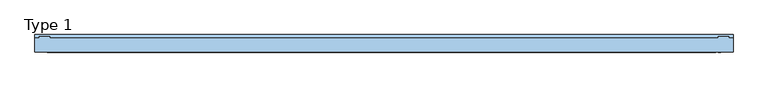
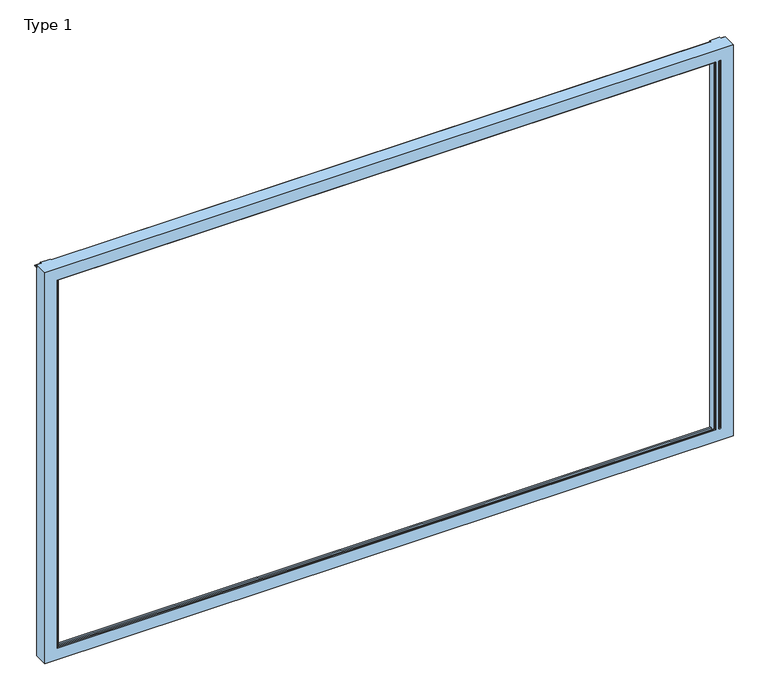
"""IFC4 building model written with IfcOpenShell, lengths in millimetres: window geometry, Type 1."""

import ifcopenshell
import ifcopenshell.guid

model = None  # the IFC model being written
_history = None  # IfcOwnerHistory: only IFC2X3 demands one
_inside = {}  # id of a spatial element -> (the spatial element, [elements in it])
_under = {}  # id of a project, library or spatial element -> (it, [spatial elements below it])
_declared = {}  # id of a project -> (the project, [libraries it declares])
_typed = {}  # id of a type object -> (the type object, [elements of that type])
_made_of = {}  # id of a material, layer set ... -> (it, [elements and type objects made of it])


def new_model(schema):
    """Start an empty IFC model of exactly this schema.

    Asked for "IFC4X3", IfcOpenShell would pick the latest addendum, in which some entities
    have other attributes; the version numbers below select the first issue.
    IFC2X3 requires an IfcOwnerHistory on every rooted entity: one is made here for all.
    """
    global model, _history
    if schema == "IFC4X3":
        model = ifcopenshell.file(schema_version=(4, 3, 0, 0))
    else:
        model = ifcopenshell.file(schema=schema)
    _inside.clear()
    _under.clear()
    _declared.clear()
    _typed.clear()
    _made_of.clear()
    _history = None
    if model.schema == "IFC2X3":
        org = make("IfcOrganization", Name="unknown")
        user = make(
            "IfcPersonAndOrganization",
            ThePerson=make("IfcPerson", FamilyName="unknown"),
            TheOrganization=org,
        )
        app = make(
            "IfcApplication",
            ApplicationDeveloper=org,
            Version="unknown",
            ApplicationFullName="unknown",
            ApplicationIdentifier="unknown",
        )
        _history = make(
            "IfcOwnerHistory",
            OwningUser=user,
            OwningApplication=app,
            ChangeAction="ADDED",
            CreationDate=0,
        )
    return model


def make(cls, **values):
    """One entity of the class cls with the attributes given. An attribute that is None is left unset."""
    return model.create_entity(
        cls, **{name: value for name, value in values.items() if value is not None}
    )


def rooted(cls, **values):
    """An entity with a GlobalId (a new one), such as an element, a storey or a relation."""
    return make(cls, GlobalId=ifcopenshell.guid.new(), OwnerHistory=_history, **values)


def si_unit(unit_type, name, prefix=None):
    """IfcSIUnit, for example si_unit("LENGTHUNIT", "METRE", prefix="MILLI")."""
    return make("IfcSIUnit", UnitType=unit_type, Prefix=prefix, Name=name)


def assignment(units):
    """IfcUnitAssignment: the units of a project."""
    return None if units is None else make("IfcUnitAssignment", Units=units)


def point(xyz):
    """IfcCartesianPoint."""
    return None if xyz is None else make("IfcCartesianPoint", Coordinates=xyz)


def direction(xyz):
    """IfcDirection."""
    return None if xyz is None else make("IfcDirection", DirectionRatios=xyz)


def frame(location, z_axis=None, x_axis=None):
    """IfcAxis2Placement3D, a coordinate frame: its origin and axes. An axis left out is left unset."""
    return make(
        "IfcAxis2Placement3D",
        Location=point(location),
        Axis=direction(z_axis),
        RefDirection=direction(x_axis),
    )


def origin():
    """The frame at (0, 0, 0) with its axes left unset."""
    return frame((0.0, 0.0, 0.0))


def place(relative_to, where):
    """IfcLocalPlacement: puts the frame where relative to a parent placement (None: the world)."""
    return make(
        "IfcLocalPlacement", PlacementRelTo=relative_to, RelativePlacement=where
    )


def context(
    kind, dimensions, precision=None, world=None, true_north=None, identifier=None
):
    """IfcGeometricRepresentationContext, for example the 3D "Model" context."""
    return make(
        "IfcGeometricRepresentationContext",
        ContextIdentifier=identifier,
        ContextType=kind,
        CoordinateSpaceDimension=dimensions,
        Precision=precision,
        WorldCoordinateSystem=world,
        TrueNorth=true_north,
    )


def project(units=None, contexts=None):
    """IfcProject with its units and contexts."""
    return rooted(
        "IfcProject",
        Name="project",
        RepresentationContexts=contexts,
        UnitsInContext=assignment(units),
    )


def spatial(cls, under=None, at=None, **own):
    """A site, building, storey or space (cls), placed at a placement, below another one or the project."""
    s = rooted(cls, ObjectPlacement=at, **own)
    if under is not None:
        _under.setdefault(under.id(), (under, []))[1].append(s)
    return s


def polyline(points):
    """IfcPolyline through the points."""
    return make("IfcPolyline", Points=[point(p) for p in points])


def circle_curve(where, radius):
    """IfcCircle in the frame where."""
    return make("IfcCircle", Position=where, Radius=radius)


def ellipse_curve(where, semi_axis1, semi_axis2):
    """IfcEllipse in the frame where."""
    return make(
        "IfcEllipse", Position=where, SemiAxis1=semi_axis1, SemiAxis2=semi_axis2
    )


def outline(outer, holes=None, kind="AREA"):
    """IfcArbitraryClosedProfileDef: a profile drawn as a closed curve; with holes, ...WithVoids."""
    if holes is None:
        return make("IfcArbitraryClosedProfileDef", ProfileType=kind, OuterCurve=outer)
    return make(
        "IfcArbitraryProfileDefWithVoids",
        ProfileType=kind,
        OuterCurve=outer,
        InnerCurves=holes,
    )


def extrude(swept, where, along, depth):
    """IfcExtrudedAreaSolid: the profile swept, set in the frame where, extruded along a direction by depth."""
    return make(
        "IfcExtrudedAreaSolid",
        SweptArea=swept,
        Position=where,
        ExtrudedDirection=direction(along),
        Depth=depth,
    )


def shape(context_of_items, identifier, shape_type, items):
    """IfcShapeRepresentation: the items that make up one representation, for example the "Body"."""
    return make(
        "IfcShapeRepresentation",
        ContextOfItems=context_of_items,
        RepresentationIdentifier=identifier,
        RepresentationType=shape_type,
        Items=items,
    )


def source(mapping_origin, context_of_items, identifier, shape_type, items):
    """IfcRepresentationMap: a shape defined once, which mapped items show again and again."""
    return make(
        "IfcRepresentationMap",
        MappingOrigin=mapping_origin,
        MappedRepresentation=shape(context_of_items, identifier, shape_type, items),
    )


def transform(
    local_origin,
    x_axis=None,
    y_axis=None,
    z_axis=None,
    scale=None,
    scale2=None,
    scale3=None,
    uniform=True,
):
    """IfcCartesianTransformationOperator3D, or its non-uniform kind. x_axis, y_axis, z_axis: its Axis1, 2, 3."""
    if uniform:
        return make(
            "IfcCartesianTransformationOperator3D",
            Axis1=direction(x_axis),
            Axis2=direction(y_axis),
            LocalOrigin=point(local_origin),
            Scale=scale,
            Axis3=direction(z_axis),
        )
    return make(
        "IfcCartesianTransformationOperator3DnonUniform",
        Axis1=direction(x_axis),
        Axis2=direction(y_axis),
        LocalOrigin=point(local_origin),
        Scale=scale,
        Axis3=direction(z_axis),
        Scale2=scale2,
        Scale3=scale3,
    )


def mapped(mapping_source, mapping_target):
    """IfcMappedItem: shows the shape of a source again, moved by a transform."""
    return make(
        "IfcMappedItem", MappingSource=mapping_source, MappingTarget=mapping_target
    )


def made_of(thing, what):
    """Note that an element or type object is made of a material, layer set ...; save() writes the relation."""
    if what is not None:
        _made_of.setdefault(what.id(), (what, []))[1].append(thing)
    return thing


def element(
    cls,
    number,
    at=None,
    inside=None,
    cuts=None,
    type_object=None,
    material=None,
    context=None,
    identifier="Body",
    shape_type=None,
    held_by="IfcProductDefinitionShape",
    body=None,
    shapes=None,
    **own,
):
    """One element of the class cls, such as IfcWall. Its Tag is "e" and its number.

    at: its placement. inside: the storey or other place that contains it. cuts: it is an
    opening in that element (IfcRelVoidsElement). A single representation is given by context,
    identifier, shape_type and body (its items); several are given by shapes. held_by: the class
    of the entity that holds the representations. save() writes the other relations.
    """
    e = rooted(cls, Tag="e%d" % number, ObjectPlacement=at, **own)
    if body is not None:
        shapes = [shape(context, identifier, shape_type, body)]
    if shapes is not None:
        e.Representation = make(held_by, Representations=shapes)
    if inside is not None:
        _inside.setdefault(inside.id(), (inside, []))[1].append(e)
    if cuts is not None:
        rooted(
            "IfcRelVoidsElement", RelatingBuildingElement=cuts, RelatedOpeningElement=e
        )
    if type_object is not None:
        _typed.setdefault(type_object.id(), (type_object, []))[1].append(e)
    return made_of(e, material)


def aggregate(whole, parts):
    """IfcRelAggregates: a whole, such as a stair, and the parts it consists of."""
    return rooted("IfcRelAggregates", RelatingObject=whole, RelatedObjects=parts)


def save(model, path):
    """Write the relations noted so far, then the file.

    IfcRelAggregates (storeys below a building ...), IfcRelContainedInSpatialStructure (elements
    in a storey), IfcRelDefinesByType, IfcRelAssociatesMaterial and IfcRelDeclares: one each for
    every whole, place, type object, material and project.
    """
    for whole, parts in _under.values():
        aggregate(whole, parts)
    for where, things in _inside.values():
        rooted(
            "IfcRelContainedInSpatialStructure",
            RelatedElements=things,
            RelatingStructure=where,
        )
    for kind, things in _typed.values():
        rooted("IfcRelDefinesByType", RelatedObjects=things, RelatingType=kind)
    for what, things in _made_of.values():
        rooted("IfcRelAssociatesMaterial", RelatedObjects=things, RelatingMaterial=what)
    for by, libraries in _declared.values():
        rooted("IfcRelDeclares", RelatingContext=by, RelatedDefinitions=libraries)
    model.write(path)


def plane_surface(at):
    """IfcPlane: the flat surface through the origin of the frame at, square to its z axis."""
    return make("IfcPlane", Position=at)


def cylinder_surface(at, radius):
    """IfcCylindricalSurface: all points at the distance radius from the z axis of the frame at."""
    return make("IfcCylindricalSurface", Position=at, Radius=radius)


def advanced_brep(points, edges, surfaces, faces):
    """IfcAdvancedBrep: a solid bounded by faces that lie on surfaces and meet in shared edges.

    An edge is (start, end): straight between two places in points (the first is 0);
    or (start, end, curve); or (start, end, curve, False) where it runs against its curve.
    A face is (place in surfaces, loops), or (place, loops, False) where it looks against
    its surface's normal. A loop lists edges by number (the first is 1), with a minus sign
    where the edge is run from its end to its start. The first loop is the outer one.
    """
    corners = [point(p) for p in points]
    vertices = [make("IfcVertexPoint", VertexGeometry=c) for c in corners]
    made = []
    for start, end, *more in edges:
        made.append(
            make(
                "IfcEdgeCurve",
                EdgeStart=vertices[start],
                EdgeEnd=vertices[end],
                EdgeGeometry=more[0] if more else make("IfcPolyline", Points=[corners[start], corners[end]]),
                SameSense=more[1] if len(more) > 1 else True,
            )
        )
    hull = []
    for where, loops, *sense in faces:
        bounds = []
        for j, loop in enumerate(loops):
            ring = [make("IfcOrientedEdge", EdgeElement=made[abs(k) - 1], Orientation=k > 0) for k in loop]
            bounds.append(
                make(
                    "IfcFaceOuterBound" if j == 0 else "IfcFaceBound",
                    Bound=make("IfcEdgeLoop", EdgeList=ring),
                    Orientation=True,
                )
            )
        hull.append(make("IfcAdvancedFace", Bounds=bounds, FaceSurface=surfaces[where], SameSense=sense[0] if sense else True))
    return make("IfcAdvancedBrep", Outer=make("IfcClosedShell", CfsFaces=hull))


def type_1_1b71fc07(model_context):
    return source(origin(), model_context, "Body", "SolidModel", [
        advanced_brep(
        [(1919.5, -69.9999847, 70.5), (1917.0, -67.4999847, 73.0), (1909.0, -67.4999847, 73.0), (1906.5, -69.9999847, 70.5), (-1917.0, -67.4999847, 73.0), (-1919.5, -69.9999847, 70.5), (1890.5, -69.9999847, 70.5), (1888.0, -67.4999847, 73.0), (1919.5, -69.9999847, 2319.5), (1917.0, -67.4999847, 2317.0), (1990.0, -69.9999847, 0.0), (1990.0, -69.9999847, 2390.0), (-1990.0, -69.9999847, 2390.0), (-1990.0, -69.9999847, 0.0), (1906.5, -69.9999847, 2319.5), (-1919.5, -69.9999847, 2319.5), (1890.5, -69.9999847, 2319.5), (1917.0, -60.0, 2317.0), (1917.0, -60.0, 73.0), (1909.0, -60.0, 2317.0), (1909.0, -60.0, 73.0), (-1917.0, -60.0, 73.0), (1888.0, -60.0, 73.0), (-1905.9999505, -60.0, 73.0), (1990.0, 10.0, 0.0), (-1990.0, 10.0, 0.0), (-1965.0, 10.0, 0.0), (-1965.0, 17.5, 0.0), (-1962.5, 20.0, 0.0), (-1905.9999505, 20.0, 0.0), (-1905.9999505, 10.0, 0.0), (1906.0, 10.0, 0.0), (1906.0, 20.0, 0.0), (1962.5, 20.0, 0.0), (1965.0, 17.5, 0.0), (1965.0, 10.0, 0.0), (1990.0, 10.0, 2390.0), (-1905.9999505, 10.0, 35.6000076), (1906.0, 10.0, 35.6000076), (-1905.9999505, 10.0, 2354.3999924), (-1905.9999505, 10.0, 2390.0), (1906.0, 10.0, 2390.0), (1906.0, 10.0, 2354.3999924), (-1990.0, 10.0, 2390.0), (-1965.0, 10.0, 2390.0), (1965.0, 10.0, 2390.0), (-1917.0, -67.4999847, 2317.0), (-1917.0, -60.0, 2317.0), (-1905.9999505, -60.0, 2317.0), (1909.0, -67.4999847, 2317.0), (1888.0, -67.4999847, 2317.0), (1888.0, -60.0, 2317.0), (-1905.9999505, -60.0, 2359.5), (1906.0, -60.0, 2359.5), (1906.0, -60.0, 30.5), (-1905.9999505, -60.0, 30.5), (1906.0, 20.0, 2390.0), (1906.0, 0.2, 35.6000076), (1906.0, 0.2, 24.0002136), (1906.0, -22.3, 24.0002136), (1906.0, -22.3, 35.6000076), (1906.0, -31.8999756, 35.6000076), (1906.0, -31.8999756, 30.5), (1906.0, -31.8999756, 2359.5), (1906.0, -31.8999756, 2354.3999924), (1906.0, -22.3, 2354.3999924), (1906.0, -22.3, 2365.9997864), (1906.0, 0.2, 2365.9997864), (1906.0, 0.2, 2354.3999924), (-1905.9999505, -31.8999756, 30.5), (-1905.9999505, 20.0, 2390.0), (-1905.9999505, 0.2, 2354.3999924), (-1905.9999505, 0.2, 2365.9997864), (-1905.9999505, -22.3, 2365.9997864), (-1905.9999505, -22.3, 2354.3999924), (-1905.9999505, -31.8999756, 2354.3999924), (-1905.9999505, -31.8999756, 2359.5), (-1905.9999505, -31.8999756, 35.6000076), (-1905.9999505, -22.3, 35.6000076), (-1905.9999505, -22.3, 24.0002136), (-1905.9999505, 0.2, 24.0002136), (-1905.9999505, 0.2, 35.6000076), (-1965.0, 17.5, 2390.0), (1965.0, 17.5, 2390.0), (-1962.5, 20.0, 2390.0), (1962.5, 20.0, 2390.0)],
        [
            (0, 1, ellipse_curve(frame((1919.5, -67.4999847, 70.5), z_axis=(-0.7071067811865498, 0.0, -0.7071067811865451), x_axis=(-0.7071067811865452, 0.0, 0.7071067811865497)), 3.5355339, 2.5)),
            (1, 2),
            (2, 3, ellipse_curve(frame((1906.5, -67.4999847, 70.5), z_axis=(0.7071067811865464, 0.0, -0.7071067811865486), x_axis=(-0.7071067811865487, 0.0, -0.7071067811865464)), 3.5355339, 2.5)),
            (3, 0),
            (4, 5, ellipse_curve(frame((-1919.5, -67.4999847, 70.5), z_axis=(0.7071067811865451, 0.0, -0.7071067811865498), x_axis=(-0.70710678118655, 0.0, -0.7071067811865451)), 3.5355339, 2.5)),
            (5, 6),
            (6, 7, ellipse_curve(frame((1890.5, -67.4999847, 70.5), z_axis=(-0.7071067811865486, 0.0, -0.7071067811865464), x_axis=(-0.7071067811865466, 0.0, 0.7071067811865485)), 3.5355339, 2.5)),
            (7, 4),
            (0, 8),
            (8, 9, ellipse_curve(frame((1919.5, -67.4999847, 2319.5), z_axis=(0.7071067811865451, 0.0, -0.7071067811865498), x_axis=(-0.7071067811865497, 0.0, -0.7071067811865452)), 3.5355339, 2.5)),
            (9, 1),
            (10, 11),
            (11, 12),
            (12, 13),
            (13, 10),
            (3, 14),
            (14, 8),
            (15, 16),
            (16, 6),
            (5, 15),
            (9, 17),
            (17, 18),
            (18, 1),
            (19, 20),
            (20, 18),
            (17, 19),
            (20, 2),
            (21, 4),
            (7, 22),
            (22, 23),
            (23, 21),
            (24, 10),
            (13, 25),
            (25, 26),
            (26, 27),
            (27, 28, circle_curve(frame((-1962.5, 17.5, 0.0), z_axis=(0.0, 0.0, -1.0), x_axis=(0.0, -1.0, 0.0)), 2.5)),
            (28, 29),
            (29, 30),
            (30, 31),
            (31, 32),
            (32, 33),
            (33, 34, circle_curve(frame((1962.5, 17.5, 0.0), z_axis=(0.0, 0.0, -1.0), x_axis=(0.0, -1.0, 0.0)), 2.5)),
            (34, 35),
            (35, 24),
            (24, 36),
            (36, 11),
            (30, 37),
            (37, 38),
            (38, 31),
            (39, 40),
            (40, 41),
            (41, 42),
            (42, 39),
            (25, 43),
            (43, 44),
            (44, 26),
            (45, 36),
            (35, 45),
            (46, 15, ellipse_curve(frame((-1919.5, -67.4999847, 2319.5), z_axis=(-0.7071067811865498, 0.0, -0.7071067811865451), x_axis=(-0.7071067811865451, 0.0, 0.70710678118655)), 3.5355339, 2.5)),
            (4, 46),
            (47, 46),
            (21, 47),
            (23, 48),
            (48, 47),
            (12, 43),
            (2, 49),
            (49, 14, ellipse_curve(frame((1906.5, -67.4999847, 2319.5), z_axis=(-0.7071067811865486, 0.0, -0.7071067811865464), x_axis=(-0.7071067811865462, 0.0, 0.7071067811865487)), 3.5355339, 2.5)),
            (16, 50, ellipse_curve(frame((1890.5, -67.4999847, 2319.5), z_axis=(0.7071067811865464, 0.0, -0.7071067811865486), x_axis=(0.7071067811865485, 0.0, 0.7071067811865466)), 3.5355339, 2.5)),
            (50, 7),
            (19, 49),
            (50, 51),
            (51, 22),
            (48, 52),
            (52, 53),
            (53, 54),
            (54, 55),
            (55, 23),
            (51, 48),
            (56, 32),
            (38, 57),
            (57, 58),
            (58, 59),
            (59, 60),
            (60, 61),
            (61, 62),
            (62, 54),
            (53, 63),
            (63, 64),
            (64, 65),
            (65, 66),
            (66, 67),
            (67, 68),
            (68, 42),
            (41, 56),
            (69, 55),
            (62, 69),
            (29, 70),
            (70, 40),
            (39, 71),
            (71, 72),
            (72, 73),
            (73, 74),
            (74, 75),
            (75, 76),
            (76, 52),
            (69, 77),
            (77, 78),
            (78, 79),
            (79, 80),
            (80, 81),
            (81, 37),
            (61, 77),
            (75, 64),
            (63, 76),
            (60, 78),
            (59, 79),
            (73, 66),
            (65, 74),
            (58, 80),
            (57, 81),
            (71, 68),
            (67, 72),
            (44, 82),
            (82, 27),
            (83, 45),
            (34, 83),
            (82, 84, circle_curve(frame((-1962.5, 17.5, 2390.0), z_axis=(0.0, 0.0, -1.0), x_axis=(0.0, -1.0, 0.0)), 2.5)),
            (84, 28),
            (84, 70),
            (56, 85),
            (85, 33),
            (85, 83, circle_curve(frame((1962.5, 17.5, 2390.0), z_axis=(0.0, 0.0, -1.0), x_axis=(0.0, -1.0, 0.0)), 2.5)),
            (49, 9),
            (46, 50),
        ],
        [
            cylinder_surface(frame((-1990.0, -67.4999847, 70.5), z_axis=(-1.0, 0.0, 0.0), x_axis=(0.0, 0.0, 1.0)), 2.5),
            cylinder_surface(frame((1919.5, -67.4999847, 0.0), z_axis=(0.0, 0.0, -1.0), x_axis=(-1.0, 0.0, 0.0)), 2.5),
            plane_surface(frame((-1990.0, -69.9999847, 0.0), z_axis=(0.0, -1.0, 0.0), x_axis=(1.0, 0.0, 0.0))),
            plane_surface(frame((1917.0, -67.4999847, 73.0), z_axis=(-1.0, 0.0, 0.0), x_axis=(0.0, 0.0, 1.0))),
            plane_surface(frame((1909.0, -60.0, 2390.0), z_axis=(0.0, -1.0, 0.0), x_axis=(0.0, 0.0, -1.0))),
            plane_surface(frame((-1917.0, -67.4999847, 73.0), z_axis=(0.0, 0.0, 1.0), x_axis=(1.0, 0.0, 0.0))),
            plane_surface(frame((-1990.0, 10.0, 0.0), z_axis=(0.0, 0.0, -1.0), x_axis=(1.0, 0.0, 0.0))),
            plane_surface(frame((1990.0, 10.0, 0.0), z_axis=(1.0, 0.0, 0.0), x_axis=(0.0, 0.0, 1.0))),
            plane_surface(frame((-1954.3999924, 10.0, 35.6000076), z_axis=(0.0, 1.0, 0.0), x_axis=(1.0, 0.0, 0.0))),
            cylinder_surface(frame((-1919.5, -67.4999847, 2390.0), z_axis=(0.0, 0.0, 1.0), x_axis=(1.0, 0.0, 0.0)), 2.5),
            plane_surface(frame((-1917.0, -67.4999847, 2317.0), z_axis=(1.0, 0.0, 0.0), x_axis=(0.0, 0.0, -1.0))),
            plane_surface(frame((-1965.9997864, -60.0, 2390.0), z_axis=(0.0, -1.0, 0.0), x_axis=(0.0, 0.0, -1.0))),
            plane_surface(frame((-1990.0, 10.0, 2390.0), z_axis=(-1.0, 0.0, 0.0), x_axis=(0.0, 0.0, -1.0))),
            cylinder_surface(frame((1906.5, -67.4999847, 2390.0), z_axis=(0.0, 0.0, 1.0), x_axis=(0.0, -1.0, 0.0)), 2.5),
            cylinder_surface(frame((1890.5, -67.4999847, 2390.0), z_axis=(0.0, 0.0, 1.0), x_axis=(0.0, -1.0, 0.0)), 2.5),
            plane_surface(frame((1909.0, -67.4999847, 2390.0), z_axis=(1.0, 0.0, 0.0), x_axis=(0.0, 0.0, -1.0))),
            plane_surface(frame((1888.0, -60.0, 2390.0), z_axis=(-1.0, 0.0, 0.0), x_axis=(0.0, 0.0, -1.0))),
            plane_surface(frame((-1917.0, -60.0, 73.0), z_axis=(0.0, 1.0, 0.0), x_axis=(1.0, 0.0, 0.0))),
            plane_surface(frame((1906.0, 20.0, 2390.0), z_axis=(-1.0, 0.0, 0.0), x_axis=(0.0, 0.0, -1.0))),
            plane_surface(frame((-1959.5, -60.0, 30.5), z_axis=(0.0, 0.0, 1.0), x_axis=(1.0, 0.0, 0.0))),
            plane_surface(frame((-1905.9999505, -60.0, 2390.0), z_axis=(1.0, 0.0, 0.0), x_axis=(0.0, 0.0, -1.0))),
            plane_surface(frame((-1959.5, -31.8999756, 30.5), z_axis=(0.0, -1.0, 0.0), x_axis=(1.0, 0.0, 0.0))),
            plane_surface(frame((-1954.3999924, -31.8999756, 35.6000076), z_axis=(0.0, 0.0, 1.0), x_axis=(1.0, 0.0, 0.0))),
            plane_surface(frame((-1954.3999924, -22.3, 35.6000076), z_axis=(0.0, 1.0, 0.0), x_axis=(1.0, 0.0, 0.0))),
            plane_surface(frame((-1965.9997864, -22.3, 24.0002136), z_axis=(0.0, 0.0, 1.0), x_axis=(1.0, 0.0, 0.0))),
            plane_surface(frame((-1965.9997864, 0.2, 24.0002136), z_axis=(0.0, -1.0, 0.0), x_axis=(1.0, 0.0, 0.0))),
            plane_surface(frame((-1954.3999924, 0.2, 35.6000076), z_axis=(0.0, 0.0, 1.0), x_axis=(1.0, 0.0, 0.0))),
            plane_surface(frame((-1965.0, 17.5, 2390.0), z_axis=(-1.0, 0.0, 0.0), x_axis=(0.0, 0.0, -1.0))),
            plane_surface(frame((1965.0, 10.0, 2390.0), z_axis=(1.0, 0.0, 0.0), x_axis=(0.0, 0.0, -1.0))),
            cylinder_surface(frame((-1962.5, 17.5, 2390.0), z_axis=(0.0, 0.0, 1.0), x_axis=(0.0, -1.0, 0.0)), 2.5),
            plane_surface(frame((-1905.9999505, 20.0, 2390.0), z_axis=(0.0, 1.0, 0.0), x_axis=(0.0, 0.0, -1.0))),
            plane_surface(frame((1962.5, 20.0, 2390.0), z_axis=(0.0, 1.0, 0.0), x_axis=(0.0, 0.0, -1.0))),
            cylinder_surface(frame((1962.5, 17.5, 2390.0), z_axis=(0.0, 0.0, 1.0), x_axis=(0.0, -1.0, 0.0)), 2.5),
            cylinder_surface(frame((1990.0, -67.4999847, 2319.5), z_axis=(1.0, 0.0, 0.0), x_axis=(0.0, 0.0, -1.0)), 2.5),
            plane_surface(frame((1917.0, -67.4999847, 2317.0), z_axis=(0.0, 0.0, -1.0), x_axis=(-1.0, 0.0, 0.0))),
            plane_surface(frame((1990.0, 10.0, 2390.0), z_axis=(0.0, 0.0, 1.0), x_axis=(-1.0, 0.0, 0.0))),
            plane_surface(frame((1959.5, -60.0, 2359.5), z_axis=(0.0, 0.0, -1.0), x_axis=(-1.0, 0.0, 0.0))),
            plane_surface(frame((1954.3999924, -31.8999756, 2354.3999924), z_axis=(0.0, 0.0, -1.0), x_axis=(-1.0, 0.0, 0.0))),
            plane_surface(frame((1965.9997864, -22.3, 2365.9997864), z_axis=(0.0, 0.0, -1.0), x_axis=(-1.0, 0.0, 0.0))),
            plane_surface(frame((1954.3999924, 0.2, 2354.3999924), z_axis=(0.0, 0.0, -1.0), x_axis=(-1.0, 0.0, 0.0))),
        ],
        [
            (0, [[1, 2, 3, 4]]),
            (0, [[5, 6, 7, 8]]),
            (1, [[-1, 9, 10, 11]]),
            (2, [[12, 13, 14, 15], [-9, -4, 16, 17], [18, 19, -6, 20]]),
            (3, [[-11, 21, 22, 23]]),
            (4, [[24, 25, -22, 26]]),
            (5, [[-23, -25, 27, -2]]),
            (5, [[28, -8, 29, 30, 31]]),
            (6, [[32, -15, 33, 34, 35, 36, 37, 38, 39, 40, 41, 42, 43, 44]]),
            (7, [[-32, 45, 46, -12]]),
            (8, [[47, 48, 49, -39]]),
            (8, [[50, 51, 52, 53]]),
            (8, [[54, 55, 56, -34]]),
            (8, [[57, -45, -44, 58]]),
            (9, [[59, -20, -5, 60]]),
            (10, [[61, -60, -28, 62]]),
            (11, [[63, 64, -62, -31]]),
            (12, [[65, -54, -33, -14]]),
            (13, [[-16, -3, 66, 67]]),
            (14, [[-19, 68, 69, -7]]),
            (15, [[-66, -27, -24, 70]]),
            (16, [[-69, 71, 72, -29]]),
            (17, [[73, 74, 75, 76, 77, -30, -72, 78]]),
            (18, [[79, -40, -49, 80, 81, 82, 83, 84, 85, 86, -75, 87, 88, 89, 90, 91, 92, 93, -52, 94]]),
            (19, [[95, -76, -86, 96]]),
            (20, [[97, 98, -50, 99, 100, 101, 102, 103, 104, 105, -73, -63, -77, -95, 106, 107, 108, 109, 110, 111, -47, -38]]),
            (21, [[-106, -96, -85, 112]]),
            (21, [[-104, 113, -88, 114]]),
            (22, [[-107, -112, -84, 115]]),
            (23, [[-108, -115, -83, 116]]),
            (23, [[-102, 117, -90, 118]]),
            (24, [[-109, -116, -82, 119]]),
            (25, [[-110, -119, -81, 120]]),
            (25, [[-100, 121, -92, 122]]),
            (26, [[-111, -120, -80, -48]]),
            (27, [[123, 124, -35, -56]]),
            (28, [[125, -58, -43, 126]]),
            (29, [[127, 128, -36, -124]]),
            (30, [[129, -97, -37, -128]]),
            (31, [[130, 131, -41, -79]]),
            (32, [[132, -126, -42, -131]]),
            (33, [[-10, -17, -67, 133]]),
            (33, [[-59, 134, -68, -18]]),
            (34, [[-21, -133, -70, -26]]),
            (34, [[-61, -64, -78, -71, -134]]),
            (35, [[-46, -57, -125, -132, -130, -94, -51, -98, -129, -127, -123, -55, -65, -13]]),
            (36, [[-74, -105, -114, -87]]),
            (37, [[-103, -118, -89, -113]]),
            (38, [[-101, -122, -91, -117]]),
            (39, [[-99, -53, -93, -121]]),
        ],
    ),
        extrude(outline(polyline([(30.2279949, 2375.5006958), (30.2279949, 2371.1777082), (9.9999847, 2371.1777082), (9.9999847, 2383.6755792), (30.2279949, 2375.5006958)])), frame((-1990.0, 0.0, 0.0), z_axis=(1.0, 0.0, 0.0), x_axis=(0.0, 1.0, 0.0)), (0.0, 0.0, 1.0), 3980.0),
    ])


if __name__ == "__main__":
    model = new_model("IFC4")
    model_context = context("Model", 3, world=origin())
    ifc_project = project(units=[si_unit("LENGTHUNIT", "METRE", prefix="MILLI")], contexts=[model_context])
    site = spatial("IfcSite", under=ifc_project)
    building = spatial("IfcBuilding", under=site)
    placement = place(None, origin())
    type_1_shape = type_1_1b71fc07(model_context)
    element("IfcWindow", 1, ObjectType="Type 1", at=placement, inside=building, context=model_context, shape_type="MappedRepresentation", body=[
        mapped(type_1_shape, transform((0.0, 0.0, 0.0), x_axis=(1.0, 0.0, 0.0), y_axis=(0.0, 1.0, 0.0), z_axis=(0.0, 0.0, 1.0))),
    ])
    save(model, "model.ifc")
